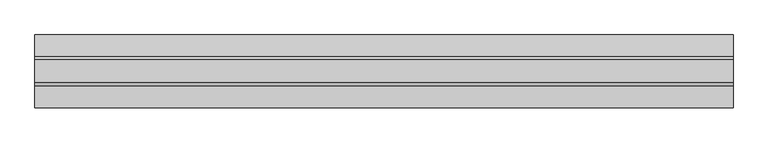
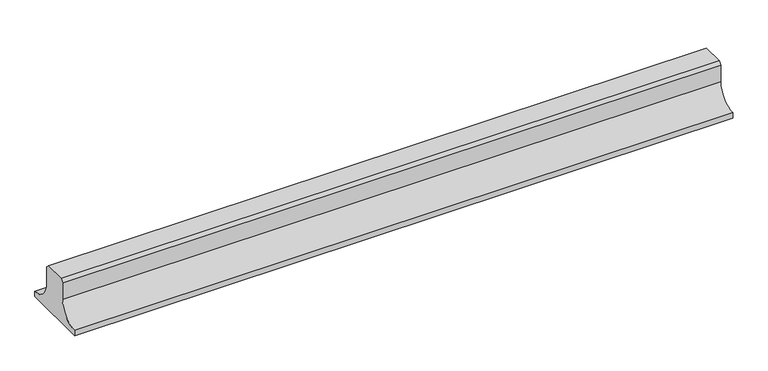
"""IFC4 building model written with IfcOpenShell, lengths in millimetres: proxy geometry."""

from ifc_helpers import new_model, si_unit, point, frame, frame_2d, origin, place, context, project, spatial, polyline, circle_curve, trimmed, segment, composite_curve, outline, extrude, source, transform, mapped, element, save


def generic_models_cabf6415(model_context):
    return source(origin(), model_context, "Body", "SweptSolid", [
        extrude(outline(composite_curve([segment(polyline([(-1155.0540151, 138.3316546), (-1144.7856698, 148.6), (-1065.3223642, 148.6), (-1055.0540188, 138.3316546), (-1055.0540188, 75.0)]), True, "CONTINUOUS"), segment(trimmed(circle_curve(frame_2d((-980.0540188, 75.0)), 75.0), [point((-1055.0540188, 75.0))], [point((-980.0540188, 0.0))], True, "CARTESIAN"), True, "CONTINUOUS"), segment(polyline([(-980.0540188, 0.0), (-980.0540188, -20.0), (-1230.0540151, -20.0), (-1230.0540151, 0.0)]), True, "CONTINUOUS"), segment(trimmed(circle_curve(frame_2d((-1230.0540151, 75.0)), 75.0), [point((-1230.0540151, 0.0))], [point((-1155.0540151, 75.0))], True, "CARTESIAN"), True, "CONTINUOUS"), segment(polyline([(-1155.0540151, 75.0), (-1155.0540151, 138.3316546)]), True, "CONTINUOUS")], self_intersect=False)), frame((4237.6420344, 0.0, 0.0), z_axis=(1.0, 0.0, 0.0), x_axis=(0.0, 1.0, 0.0)), (0.0, 0.0, 1.0), 2400.0),
    ])


if __name__ == "__main__":
    model = new_model("IFC4")
    model_context = context("Model", 3, world=origin())
    ifc_project = project(units=[si_unit("LENGTHUNIT", "METRE", prefix="MILLI")], contexts=[model_context])
    site = spatial("IfcSite", under=ifc_project)
    building = spatial("IfcBuilding", under=site)
    placement = place(None, origin())
    generic_models_shape = generic_models_cabf6415(model_context)
    element("IfcBuildingElementProxy", 1, Name="Generic Models", at=placement, inside=building, context=model_context, shape_type="MappedRepresentation", body=[
        mapped(generic_models_shape, transform((0.0, 0.0, 0.0), x_axis=(1.0, 0.0, 0.0), y_axis=(0.0, 1.0, 0.0), z_axis=(0.0, 0.0, 1.0))),
    ])
    save(model, "model.ifc")
